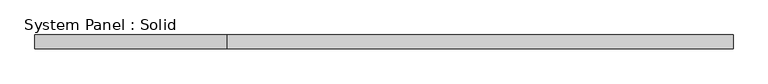
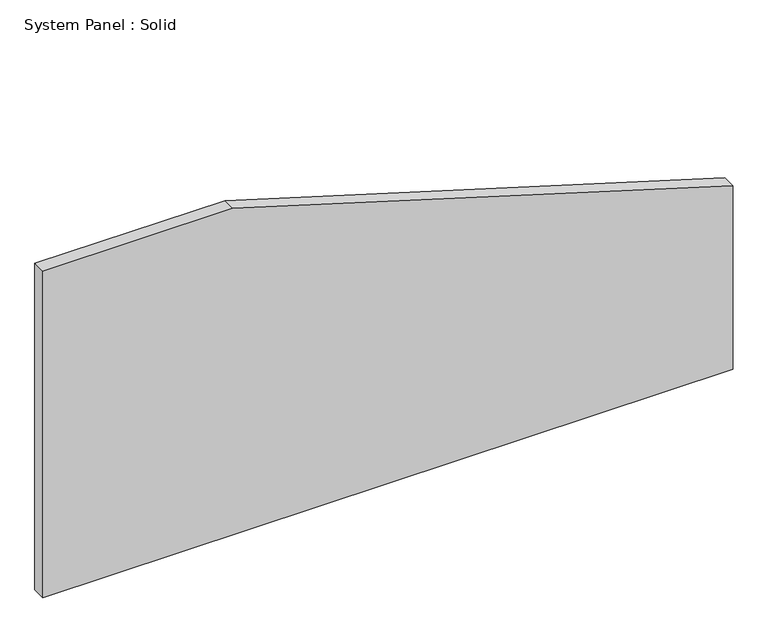
"""IFC4 building model written with IfcOpenShell, lengths in millimetres: plate geometry, System Panel : Solid."""

from ifc_helpers import new_model, si_unit, frame, origin, place, context, project, spatial, polyline, outline, extrude, source, transform, mapped, element, save


def system_panel_solid_7f918624(model_context):
    return source(origin(), model_context, "Body", "SweptSolid", [
        extrude(outline(polyline([(0.0, -1500.0), (0.0, 1500.0), (842.6654139, 1500.0), (1500.0, -673.7345383), (1500.0, -1500.0), (0.0, -1500.0)])), frame((0.0, -10.5, 0.0), z_axis=(0.0, 1.0, 0.0), x_axis=(0.0, 0.0, 1.0)), (0.0, 0.0, 1.0), 60.0),
    ])


if __name__ == "__main__":
    model = new_model("IFC4")
    model_context = context("Model", 3, world=origin())
    ifc_project = project(units=[si_unit("LENGTHUNIT", "METRE", prefix="MILLI")], contexts=[model_context])
    site = spatial("IfcSite", under=ifc_project)
    building = spatial("IfcBuilding", under=site)
    placement = place(None, origin())
    system_panel_solid_shape = system_panel_solid_7f918624(model_context)
    element("IfcPlate", 1, ObjectType="System Panel : Solid", at=placement, inside=building, context=model_context, shape_type="MappedRepresentation", body=[
        mapped(system_panel_solid_shape, transform((0.0, 0.0, 0.0), x_axis=(1.0, 0.0, 0.0), y_axis=(0.0, 1.0, 0.0), z_axis=(0.0, 0.0, 1.0))),
    ])
    save(model, "model.ifc")
